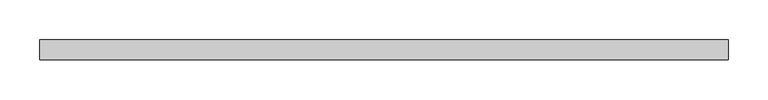
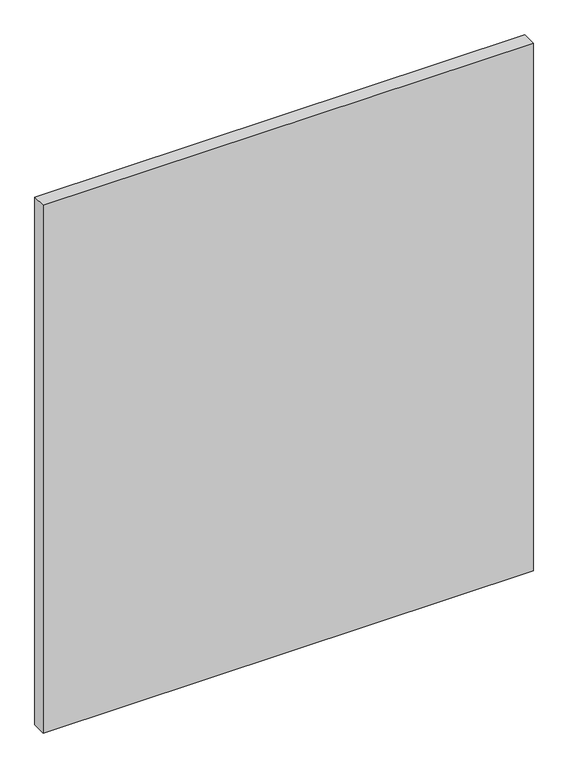
"""IFC4 building model written with IfcOpenShell, lengths in millimetres: plate geometry."""

from ifc_helpers import new_model, si_unit, origin, origin_with_axes, place, context, project, spatial, polyline, outline, extrude, source, transform, mapped, element, save


def plate_f18ddbbc(model_context):
    return source(origin(), model_context, "Body", "SweptSolid", [
        extrude(outline(polyline([(432.9674082, -49.5), (-432.9674082, -49.5), (-432.9674082, -24.5), (432.9674082, -24.5), (432.9674082, -49.5)])), origin_with_axes(), (0.0, 0.0, 1.0), 985.0),
    ])


if __name__ == "__main__":
    model = new_model("IFC4")
    model_context = context("Model", 3, world=origin())
    ifc_project = project(units=[si_unit("LENGTHUNIT", "METRE", prefix="MILLI")], contexts=[model_context])
    site = spatial("IfcSite", under=ifc_project)
    building = spatial("IfcBuilding", under=site)
    placement = place(None, origin())
    plate_shape = plate_f18ddbbc(model_context)
    element("IfcPlate", 1, at=placement, inside=building, context=model_context, shape_type="MappedRepresentation", body=[
        mapped(plate_shape, transform((0.0, 0.0, 0.0), x_axis=(1.0, 0.0, 0.0), y_axis=(0.0, 1.0, 0.0), z_axis=(0.0, 0.0, 1.0))),
    ])
    save(model, "model.ifc")
